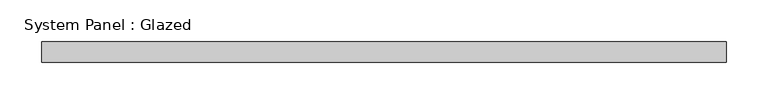
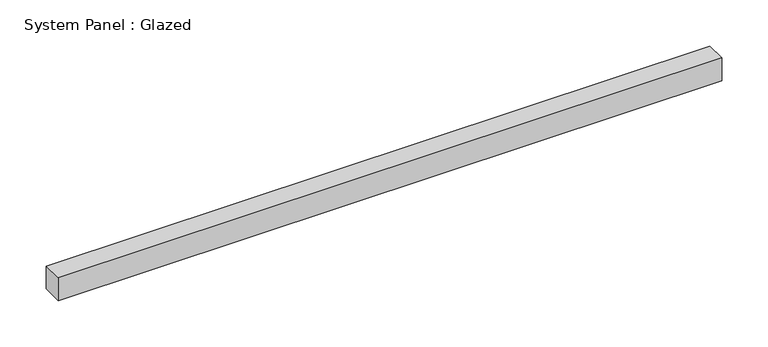
"""IFC4 building model written with IfcOpenShell, lengths in millimetres: plate geometry, System Panel : Glazed."""

from ifc_helpers import new_model, si_unit, origin, origin_with_axes, place, context, project, spatial, polyline, outline, extrude, source, transform, mapped, element, save


def system_panel_glazed_abdd3f1e(model_context):
    return source(origin(), model_context, "Body", "SweptSolid", [
        extrude(outline(polyline([(412.5, -49.5), (-412.5, -49.5), (-412.5, -24.5), (412.5, -24.5), (412.5, -49.5)])), origin_with_axes(), (0.0, 0.0, 1.0), 30.0),
    ])


if __name__ == "__main__":
    model = new_model("IFC4")
    model_context = context("Model", 3, world=origin())
    ifc_project = project(units=[si_unit("LENGTHUNIT", "METRE", prefix="MILLI")], contexts=[model_context])
    site = spatial("IfcSite", under=ifc_project)
    building = spatial("IfcBuilding", under=site)
    placement = place(None, origin())
    system_panel_glazed_shape = system_panel_glazed_abdd3f1e(model_context)
    element("IfcPlate", 1, ObjectType="System Panel : Glazed", at=placement, inside=building, context=model_context, shape_type="MappedRepresentation", body=[
        mapped(system_panel_glazed_shape, transform((0.0, 0.0, 0.0), x_axis=(1.0, 0.0, 0.0), y_axis=(0.0, 1.0, 0.0), z_axis=(0.0, 0.0, 1.0))),
    ])
    save(model, "model.ifc")
